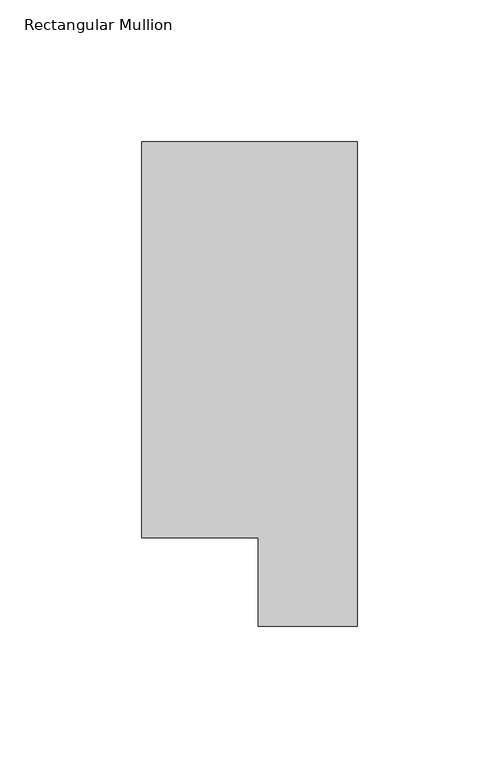
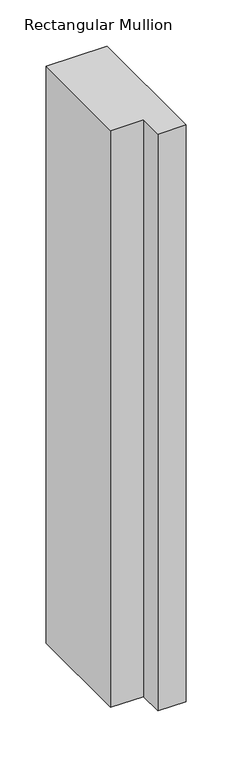
"""IFC4 building model written with IfcOpenShell, lengths in millimetres: member geometry, Rectangular Mullion."""

import ifcopenshell
import ifcopenshell.guid

model = None  # the IFC model being written
_history = None  # IfcOwnerHistory: only IFC2X3 demands one
_inside = {}  # id of a spatial element -> (the spatial element, [elements in it])
_under = {}  # id of a project, library or spatial element -> (it, [spatial elements below it])
_declared = {}  # id of a project -> (the project, [libraries it declares])
_typed = {}  # id of a type object -> (the type object, [elements of that type])
_made_of = {}  # id of a material, layer set ... -> (it, [elements and type objects made of it])


def new_model(schema):
    """Start an empty IFC model of exactly this schema.

    Asked for "IFC4X3", IfcOpenShell would pick the latest addendum, in which some entities
    have other attributes; the version numbers below select the first issue.
    IFC2X3 requires an IfcOwnerHistory on every rooted entity: one is made here for all.
    """
    global model, _history
    if schema == "IFC4X3":
        model = ifcopenshell.file(schema_version=(4, 3, 0, 0))
    else:
        model = ifcopenshell.file(schema=schema)
    _inside.clear()
    _under.clear()
    _declared.clear()
    _typed.clear()
    _made_of.clear()
    _history = None
    if model.schema == "IFC2X3":
        org = make("IfcOrganization", Name="unknown")
        user = make(
            "IfcPersonAndOrganization",
            ThePerson=make("IfcPerson", FamilyName="unknown"),
            TheOrganization=org,
        )
        app = make(
            "IfcApplication",
            ApplicationDeveloper=org,
            Version="unknown",
            ApplicationFullName="unknown",
            ApplicationIdentifier="unknown",
        )
        _history = make(
            "IfcOwnerHistory",
            OwningUser=user,
            OwningApplication=app,
            ChangeAction="ADDED",
            CreationDate=0,
        )
    return model


def make(cls, **values):
    """One entity of the class cls with the attributes given. An attribute that is None is left unset."""
    return model.create_entity(
        cls, **{name: value for name, value in values.items() if value is not None}
    )


def rooted(cls, **values):
    """An entity with a GlobalId (a new one), such as an element, a storey or a relation."""
    return make(cls, GlobalId=ifcopenshell.guid.new(), OwnerHistory=_history, **values)


def si_unit(unit_type, name, prefix=None):
    """IfcSIUnit, for example si_unit("LENGTHUNIT", "METRE", prefix="MILLI")."""
    return make("IfcSIUnit", UnitType=unit_type, Prefix=prefix, Name=name)


def assignment(units):
    """IfcUnitAssignment: the units of a project."""
    return None if units is None else make("IfcUnitAssignment", Units=units)


def point(xyz):
    """IfcCartesianPoint."""
    return None if xyz is None else make("IfcCartesianPoint", Coordinates=xyz)


def direction(xyz):
    """IfcDirection."""
    return None if xyz is None else make("IfcDirection", DirectionRatios=xyz)


def frame(location, z_axis=None, x_axis=None):
    """IfcAxis2Placement3D, a coordinate frame: its origin and axes. An axis left out is left unset."""
    return make(
        "IfcAxis2Placement3D",
        Location=point(location),
        Axis=direction(z_axis),
        RefDirection=direction(x_axis),
    )


def origin():
    """The frame at (0, 0, 0) with its axes left unset."""
    return frame((0.0, 0.0, 0.0))


def place(relative_to, where):
    """IfcLocalPlacement: puts the frame where relative to a parent placement (None: the world)."""
    return make(
        "IfcLocalPlacement", PlacementRelTo=relative_to, RelativePlacement=where
    )


def context(
    kind, dimensions, precision=None, world=None, true_north=None, identifier=None
):
    """IfcGeometricRepresentationContext, for example the 3D "Model" context."""
    return make(
        "IfcGeometricRepresentationContext",
        ContextIdentifier=identifier,
        ContextType=kind,
        CoordinateSpaceDimension=dimensions,
        Precision=precision,
        WorldCoordinateSystem=world,
        TrueNorth=true_north,
    )


def project(units=None, contexts=None):
    """IfcProject with its units and contexts."""
    return rooted(
        "IfcProject",
        Name="project",
        RepresentationContexts=contexts,
        UnitsInContext=assignment(units),
    )


def spatial(cls, under=None, at=None, **own):
    """A site, building, storey or space (cls), placed at a placement, below another one or the project."""
    s = rooted(cls, ObjectPlacement=at, **own)
    if under is not None:
        _under.setdefault(under.id(), (under, []))[1].append(s)
    return s


def polyline(points):
    """IfcPolyline through the points."""
    return make("IfcPolyline", Points=[point(p) for p in points])


def outline(outer, holes=None, kind="AREA"):
    """IfcArbitraryClosedProfileDef: a profile drawn as a closed curve; with holes, ...WithVoids."""
    if holes is None:
        return make("IfcArbitraryClosedProfileDef", ProfileType=kind, OuterCurve=outer)
    return make(
        "IfcArbitraryProfileDefWithVoids",
        ProfileType=kind,
        OuterCurve=outer,
        InnerCurves=holes,
    )


def extrude(swept, where, along, depth):
    """IfcExtrudedAreaSolid: the profile swept, set in the frame where, extruded along a direction by depth."""
    return make(
        "IfcExtrudedAreaSolid",
        SweptArea=swept,
        Position=where,
        ExtrudedDirection=direction(along),
        Depth=depth,
    )


def shape(context_of_items, identifier, shape_type, items):
    """IfcShapeRepresentation: the items that make up one representation, for example the "Body"."""
    return make(
        "IfcShapeRepresentation",
        ContextOfItems=context_of_items,
        RepresentationIdentifier=identifier,
        RepresentationType=shape_type,
        Items=items,
    )


def source(mapping_origin, context_of_items, identifier, shape_type, items):
    """IfcRepresentationMap: a shape defined once, which mapped items show again and again."""
    return make(
        "IfcRepresentationMap",
        MappingOrigin=mapping_origin,
        MappedRepresentation=shape(context_of_items, identifier, shape_type, items),
    )


def transform(
    local_origin,
    x_axis=None,
    y_axis=None,
    z_axis=None,
    scale=None,
    scale2=None,
    scale3=None,
    uniform=True,
):
    """IfcCartesianTransformationOperator3D, or its non-uniform kind. x_axis, y_axis, z_axis: its Axis1, 2, 3."""
    if uniform:
        return make(
            "IfcCartesianTransformationOperator3D",
            Axis1=direction(x_axis),
            Axis2=direction(y_axis),
            LocalOrigin=point(local_origin),
            Scale=scale,
            Axis3=direction(z_axis),
        )
    return make(
        "IfcCartesianTransformationOperator3DnonUniform",
        Axis1=direction(x_axis),
        Axis2=direction(y_axis),
        LocalOrigin=point(local_origin),
        Scale=scale,
        Axis3=direction(z_axis),
        Scale2=scale2,
        Scale3=scale3,
    )


def mapped(mapping_source, mapping_target):
    """IfcMappedItem: shows the shape of a source again, moved by a transform."""
    return make(
        "IfcMappedItem", MappingSource=mapping_source, MappingTarget=mapping_target
    )


def made_of(thing, what):
    """Note that an element or type object is made of a material, layer set ...; save() writes the relation."""
    if what is not None:
        _made_of.setdefault(what.id(), (what, []))[1].append(thing)
    return thing


def element(
    cls,
    number,
    at=None,
    inside=None,
    cuts=None,
    type_object=None,
    material=None,
    context=None,
    identifier="Body",
    shape_type=None,
    held_by="IfcProductDefinitionShape",
    body=None,
    shapes=None,
    **own,
):
    """One element of the class cls, such as IfcWall. Its Tag is "e" and its number.

    at: its placement. inside: the storey or other place that contains it. cuts: it is an
    opening in that element (IfcRelVoidsElement). A single representation is given by context,
    identifier, shape_type and body (its items); several are given by shapes. held_by: the class
    of the entity that holds the representations. save() writes the other relations.
    """
    e = rooted(cls, Tag="e%d" % number, ObjectPlacement=at, **own)
    if body is not None:
        shapes = [shape(context, identifier, shape_type, body)]
    if shapes is not None:
        e.Representation = make(held_by, Representations=shapes)
    if inside is not None:
        _inside.setdefault(inside.id(), (inside, []))[1].append(e)
    if cuts is not None:
        rooted(
            "IfcRelVoidsElement", RelatingBuildingElement=cuts, RelatedOpeningElement=e
        )
    if type_object is not None:
        _typed.setdefault(type_object.id(), (type_object, []))[1].append(e)
    return made_of(e, material)


def aggregate(whole, parts):
    """IfcRelAggregates: a whole, such as a stair, and the parts it consists of."""
    return rooted("IfcRelAggregates", RelatingObject=whole, RelatedObjects=parts)


def save(model, path):
    """Write the relations noted so far, then the file.

    IfcRelAggregates (storeys below a building ...), IfcRelContainedInSpatialStructure (elements
    in a storey), IfcRelDefinesByType, IfcRelAssociatesMaterial and IfcRelDeclares: one each for
    every whole, place, type object, material and project.
    """
    for whole, parts in _under.values():
        aggregate(whole, parts)
    for where, things in _inside.values():
        rooted(
            "IfcRelContainedInSpatialStructure",
            RelatedElements=things,
            RelatingStructure=where,
        )
    for kind, things in _typed.values():
        rooted("IfcRelDefinesByType", RelatedObjects=things, RelatingType=kind)
    for what, things in _made_of.values():
        rooted("IfcRelAssociatesMaterial", RelatedObjects=things, RelatingMaterial=what)
    for by, libraries in _declared.values():
        rooted("IfcRelDeclares", RelatingContext=by, RelatedDefinitions=libraries)
    model.write(path)


def rectangular_mullion_ea2e3ac5(model_context):
    return source(origin(), model_context, "Body", "SweptSolid", [
        extrude(outline(polyline([(-76.2, 190.7881317), (0.0, 190.7881317), (0.0, 19.5667317), (-34.9123, 19.5667317), (-34.9123, 50.8087306), (-76.2, 50.8087306), (-76.2, 190.7881317)])), frame((0.0, 0.0, -762.0), z_axis=(0.0, 0.0, 1.0), x_axis=(1.0, 0.0, 0.0)), (0.0, 0.0, 1.0), 762.0),
    ])


if __name__ == "__main__":
    model = new_model("IFC4")
    model_context = context("Model", 3, world=origin())
    ifc_project = project(units=[si_unit("LENGTHUNIT", "METRE", prefix="MILLI")], contexts=[model_context])
    site = spatial("IfcSite", under=ifc_project)
    building = spatial("IfcBuilding", under=site)
    placement = place(None, origin())
    rectangular_mullion_shape = rectangular_mullion_ea2e3ac5(model_context)
    element("IfcMember", 1, ObjectType="Rectangular Mullion", at=placement, inside=building, context=model_context, shape_type="MappedRepresentation", body=[
        mapped(rectangular_mullion_shape, transform((0.0, 0.0, 0.0), x_axis=(1.0, 0.0, 0.0), y_axis=(0.0, 1.0, 0.0), z_axis=(0.0, 0.0, 1.0))),
    ])
    save(model, "model.ifc")
